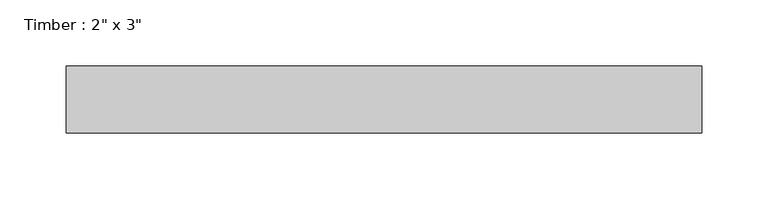
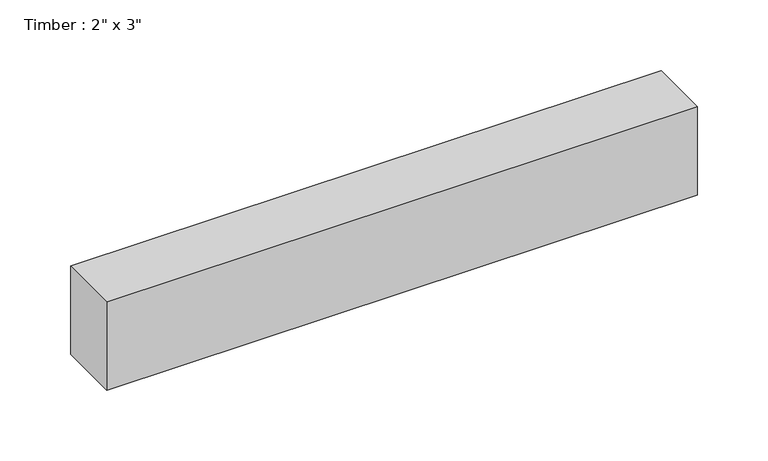
"""IFC4 building model written with IfcOpenShell, lengths in millimetres: beam geometry."""

from ifc_helpers import new_model, si_unit, frame, origin, place, context, project, spatial, polyline, outline, extrude, source, transform, mapped, element, save


def beam_52d38ced(model_context):
    return source(origin(), model_context, "Body", "SweptSolid", [
        extrude(outline(polyline([(240.5223162, -25.4), (-240.5223162, -25.4), (-240.5223162, 25.4), (240.5223162, 25.4), (240.5223162, -25.4)])), frame((0.0, 0.0, -38.1), z_axis=(0.0, 0.0, 1.0), x_axis=(1.0, 0.0, 0.0)), (0.0, 0.0, 1.0), 76.2),
    ])


if __name__ == "__main__":
    model = new_model("IFC4")
    model_context = context("Model", 3, world=origin())
    ifc_project = project(units=[si_unit("LENGTHUNIT", "METRE", prefix="MILLI")], contexts=[model_context])
    site = spatial("IfcSite", under=ifc_project)
    building = spatial("IfcBuilding", under=site)
    placement = place(None, origin())
    beam_shape = beam_52d38ced(model_context)
    element("IfcBeam", 1, ObjectType="Timber : 2\" x 3\"", at=placement, inside=building, context=model_context, shape_type="MappedRepresentation", body=[
        mapped(beam_shape, transform((0.0, 0.0, 0.0), x_axis=(1.0, 0.0, 0.0), y_axis=(0.0, 1.0, 0.0), z_axis=(0.0, 0.0, 1.0))),
    ])
    save(model, "model.ifc")
